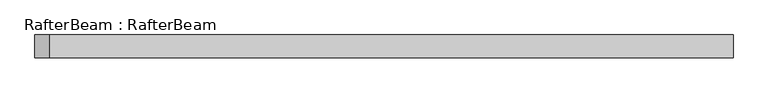
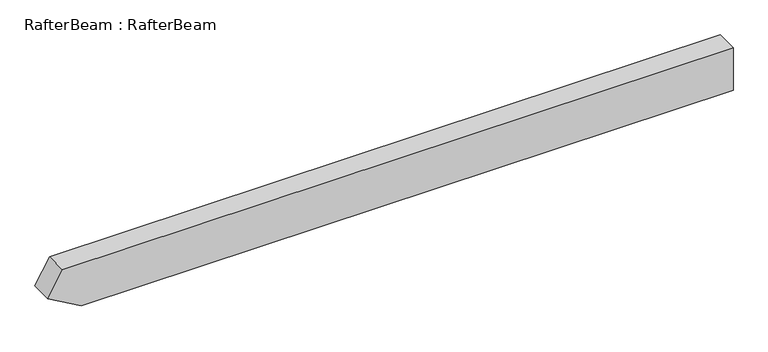
"""IFC4 building model written with IfcOpenShell, lengths in millimetres: beam geometry, RafterBeam : RafterBeam."""

from ifc_helpers import new_model, si_unit, frame, origin, place, context, project, spatial, polyline, outline, extrude, source, transform, mapped, element, save


def rafterbeam_rafterbeam_90d5767f(model_context):
    return source(origin(), model_context, "Body", "SweptSolid", [
        extrude(outline(polyline([(-50.0, 716.3132229), (50.0, 716.3132229), (50.0, -781.6329494), (-6.6987298, -814.3679763), (-50.0, -739.3679763), (-50.0, 716.3132229)])), frame((0.0, -25.0, 0.0), z_axis=(0.0, 1.0, 0.0), x_axis=(0.0, 0.0, 1.0)), (0.0, 0.0, 1.0), 50.0),
    ])


if __name__ == "__main__":
    model = new_model("IFC4")
    model_context = context("Model", 3, world=origin())
    ifc_project = project(units=[si_unit("LENGTHUNIT", "METRE", prefix="MILLI")], contexts=[model_context])
    site = spatial("IfcSite", under=ifc_project)
    building = spatial("IfcBuilding", under=site)
    placement = place(None, origin())
    rafterbeam_rafterbeam_shape = rafterbeam_rafterbeam_90d5767f(model_context)
    element("IfcBeam", 1, ObjectType="RafterBeam : RafterBeam", at=placement, inside=building, context=model_context, shape_type="MappedRepresentation", body=[
        mapped(rafterbeam_rafterbeam_shape, transform((0.0, 0.0, 0.0), x_axis=(1.0, 0.0, 0.0), y_axis=(0.0, 1.0, 0.0), z_axis=(0.0, 0.0, 1.0))),
    ])
    save(model, "model.ifc")
